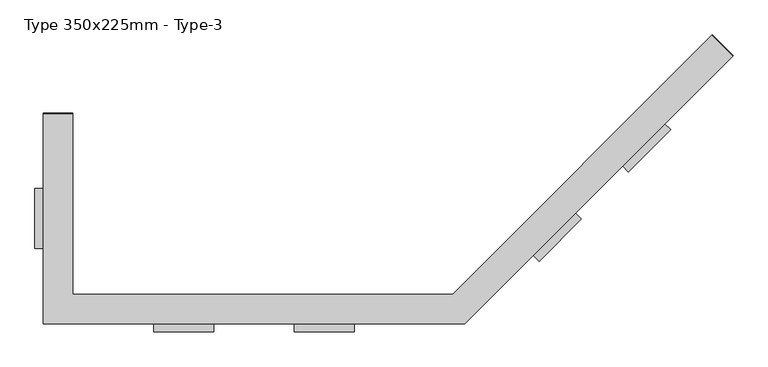
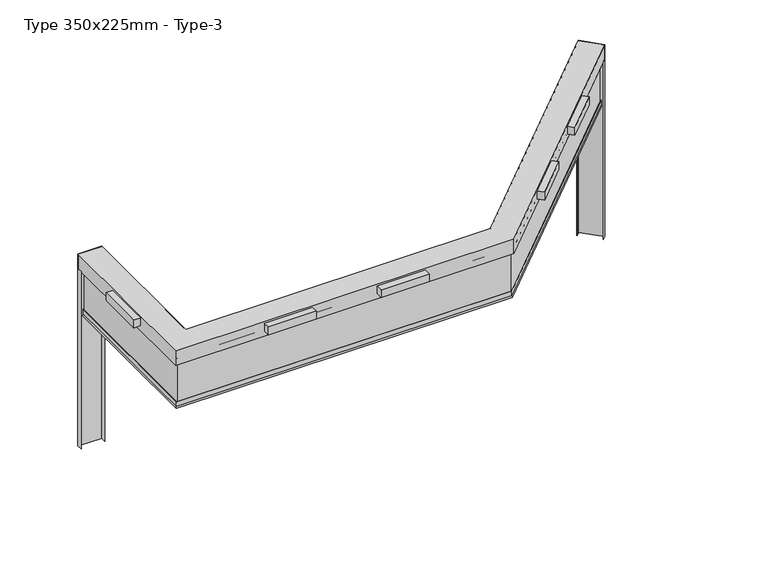
"""IFC4 building model written with IfcOpenShell, lengths in millimetres: alarm geometry, Type 350x225mm - Type-3."""

from ifc_helpers import new_model, si_unit, frame, origin, origin_with_axes, place, context, project, spatial, polyline, outline, extrude, faceted_brep, source, transform, mapped, element, save


def type_350x225mm_type_3_7770f3fd(model_context):
    return source(origin(), model_context, "Body", "SolidModel", [
        extrude(outline(polyline([(4872.3432509, 2372.3432509), (4943.053929, 2301.6325728), (4441.0081144, 1799.5867581), (4370.2974362, 1870.2974362), (4872.3432509, 2372.3432509)])), frame((0.0, 0.0, 80.0), z_axis=(0.0, 0.0, 1.0), x_axis=(1.0, 0.0, 0.0)), (0.0, 0.0, 1.0), 120.0),
        extrude(outline(polyline([(3811.6830791, 1311.6830791), (3882.3937572, 1240.972401), (3380.3479426, 738.9265863), (3309.6372645, 809.6372645), (3811.6830791, 1311.6830791)])), frame((0.0, 0.0, 80.0), z_axis=(0.0, 0.0, 1.0), x_axis=(1.0, 0.0, 0.0)), (0.0, 0.0, 1.0), 120.0),
        extrude(outline(polyline([(-1188.3333333, 0.0), (-478.3333333, 0.0), (-478.3333333, -100.0), (-1188.3333333, -100.0), (-1188.3333333, 0.0)])), frame((0.0, 0.0, 80.0), z_axis=(0.0, 0.0, 1.0), x_axis=(1.0, 0.0, 0.0)), (0.0, 0.0, 1.0), 120.0),
        extrude(outline(polyline([(478.3333333, 0.0), (1188.3333333, 0.0), (1188.3333333, -100.0), (478.3333333, -100.0), (478.3333333, 0.0)])), frame((0.0, 0.0, 80.0), z_axis=(0.0, 0.0, 1.0), x_axis=(1.0, 0.0, 0.0)), (0.0, 0.0, 1.0), 120.0),
        extrude(outline(polyline([(-2500.0, 1605.0), (-2500.0, 895.0), (-2600.0, 895.0), (-2600.0, 1605.0), (-2500.0, 1605.0)])), frame((0.0, 0.0, 80.0), z_axis=(0.0, 0.0, 1.0), x_axis=(1.0, 0.0, 0.0)), (0.0, 0.0, 1.0), 120.0),
        extrude(outline(polyline([(5434.4931419, 3429.4678888), (5681.9805153, 3181.9805153), (5679.859195, 3179.859195), (5432.3718216, 3427.3465684), (5434.4931419, 3429.4678888)])), origin_with_axes(), (0.0, 0.0, 1.0), 225.0),
        extrude(outline(polyline([(5434.4931419, 3429.4678888), (5681.9805153, 3181.9805153), (5625.4119728, 3125.4119728), (5623.2906525, 3127.5332932), (5677.7378747, 3181.9805153), (5434.4931419, 3425.2252481), (5380.0459198, 3370.7780259), (5377.9245994, 3372.8993463), (5434.4931419, 3429.4678888)])), frame((0.0, 0.0, -2775.0), z_axis=(0.0, 0.0, 1.0), x_axis=(1.0, 0.0, 0.0)), (0.0, 0.0, 1.0), 2775.0),
        extrude(outline(polyline([(-2150.0, 2500.0), (-2150.0, 2497.0), (-2500.0, 2497.0), (-2500.0, 2500.0), (-2150.0, 2500.0)])), origin_with_axes(), (0.0, 0.0, 1.0), 225.0),
        extrude(outline(polyline([(-2150.0, 2500.0), (-2150.0, 2420.0), (-2153.0, 2420.0), (-2153.0, 2497.0), (-2497.0, 2497.0), (-2497.0, 2420.0), (-2500.0, 2420.0), (-2500.0, 2500.0), (-2150.0, 2500.0)])), frame((0.0, 0.0, -2775.0), z_axis=(0.0, 0.0, 1.0), x_axis=(1.0, 0.0, 0.0)), (0.0, 0.0, 1.0), 2775.0),
        extrude(outline(polyline([(5575.9144982, 3174.9094475), (5590.0566338, 3160.7673119), (2479.2893219, 50.0), (-2450.0, 50.0), (-2450.0, 2420.0), (-2430.0, 2420.0), (-2430.0, 70.0), (2471.0050506, 70.0), (5575.9144982, 3174.9094475)])), frame((0.0, 0.0, -690.0), z_axis=(0.0, 0.0, 1.0), x_axis=(1.0, 0.0, 0.0)), (0.0, 0.0, 1.0), 690.0),
        faceted_brep([(5607.7343033, 3143.0896424, -700.0), (5395.602269, 3355.2216767, -700.0), (5399.1378029, 3351.6861428, -671.6435909), (5399.1378029, 3351.6861428, -600.0), (5401.2591232, 3349.5648225, -600.0), (5401.2591232, 3349.5648225, -697.0), (5602.0774491, 3148.7464966, -697.0), (5602.0774491, 3148.7464966, -600.0), (5604.1987694, 3146.6251763, -600.0), (5604.1987694, 3146.6251763, -671.6435909), (2489.6446609, 25.0, -700.0), (-2475.0, 25.0, -700.0), (-2475.0, 2420.0, -700.0), (-2175.0, 2420.0, -700.0), (-2175.0, 325.0, -700.0), (2365.3805922, 325.0, -700.0), (2367.45166, 320.0, -671.6435909), (2367.45166, 320.0, -600.0), (-2180.0, 320.0, -600.0), (-2180.0, 2420.0, -600.0), (-2183.0, 2420.0, -600.0), (-2183.0, 317.0, -600.0), (2368.6943007, 317.0, -600.0), (2368.6943007, 317.0, -697.0), (-2183.0, 317.0, -697.0), (-2183.0, 2420.0, -697.0), (-2467.0, 2420.0, -697.0), (-2467.0, 33.0, -697.0), (2486.3309524, 33.0, -697.0), (2486.3309524, 33.0, -600.0), (-2467.0, 33.0, -600.0), (-2467.0, 2420.0, -600.0), (-2470.0, 2420.0, -600.0), (-2470.0, 30.0, -600.0), (2487.5735931, 30.0, -600.0), (2487.5735931, 30.0, -671.6435909), (-2180.0, 320.0, -671.6435909), (-2470.0, 30.0, -671.6435909), (-2470.0, 2420.0, -671.6435909), (-2180.0, 2420.0, -671.6435909)], [[[0, 1, 2, 3, 4, 5, 6, 7, 8, 9]], [[1, 0, 10, 11, 12, 13, 14, 15]], [[2, 1, 15, 16]], [[3, 2, 16, 17]], [[4, 3, 17, 18, 19, 20, 21, 22]], [[5, 4, 22, 23]], [[6, 5, 23, 24, 25, 26, 27, 28]], [[7, 6, 28, 29]], [[8, 7, 29, 30, 31, 32, 33, 34]], [[9, 8, 34, 35]], [[0, 9, 35, 10]], [[16, 15, 14, 36]], [[17, 16, 36, 18]], [[23, 22, 21, 24]], [[29, 28, 27, 30]], [[35, 34, 33, 37]], [[10, 35, 37, 11]], [[12, 38, 32, 31, 26, 25, 20, 19, 39, 13]], [[36, 14, 13, 39]], [[18, 36, 39, 19]], [[24, 21, 20, 25]], [[30, 27, 26, 31]], [[37, 33, 32, 38]], [[11, 37, 38, 12]]]),
        faceted_brep([(-2500.0, 2500.0, 225.0), (-2150.0, 2500.0, 225.0), (-2150.0, 2500.0, 0.0), (-2172.0, 2500.0, 0.0), (-2172.0, 2500.0, 22.0), (-2169.0, 2500.0, 22.0), (-2169.0, 2500.0, 3.0), (-2153.0, 2500.0, 3.0), (-2153.0, 2500.0, 97.0), (-2180.0, 2500.0, 97.0), (-2180.0, 2500.0, 100.0), (-2153.0, 2500.0, 100.0), (-2153.0, 2500.0, 222.0), (-2497.0, 2500.0, 222.0), (-2497.0, 2500.0, 100.0), (-2470.0, 2500.0, 100.0), (-2470.0, 2500.0, 97.0), (-2497.0, 2500.0, 97.0), (-2497.0, 2500.0, 3.0), (-2481.0, 2500.0, 3.0), (-2481.0, 2500.0, 22.0), (-2478.0, 2500.0, 22.0), (-2478.0, 2500.0, 0.0), (-2500.0, 2500.0, 0.0), (-2500.0, 0.0, 225.0), (2500.0, 0.0, 225.0), (5681.9805153, 3181.9805153, 225.0), (5434.4931419, 3429.4678888, 225.0), (2355.0252532, 350.0, 225.0), (-2150.0, 350.0, 225.0), (-2150.0, 350.0, 0.0), (2355.0252532, 350.0, 0.0), (5434.4931419, 3429.4678888, 0.0), (5450.0494911, 3413.9115396, 0.0), (2364.1379515, 328.0, 0.0), (-2172.0, 328.0, 0.0), (-2172.0, 328.0, 22.0), (2364.1379515, 328.0, 22.0), (5450.0494911, 3413.9115396, 22.0), (5447.9281708, 3416.0328599, 22.0), (2362.8953109, 331.0, 22.0), (-2169.0, 331.0, 22.0), (-2169.0, 331.0, 3.0), (2362.8953109, 331.0, 3.0), (5447.9281708, 3416.0328599, 3.0), (5436.6144623, 3427.3465684, 3.0), (2356.2678939, 347.0, 3.0), (-2153.0, 347.0, 3.0), (-2153.0, 347.0, 97.0), (2356.2678939, 347.0, 97.0), (5436.6144623, 3427.3465684, 97.0), (5455.7063454, 3408.2546853, 97.0), (2367.45166, 320.0, 97.0), (-2180.0, 320.0, 97.0), (-2180.0, 320.0, 100.0), (2367.45166, 320.0, 100.0), (5455.7063454, 3408.2546853, 100.0), (5436.6144623, 3427.3465684, 100.0), (2356.2678939, 347.0, 100.0), (-2153.0, 347.0, 100.0), (-2153.0, 347.0, 222.0), (2356.2678939, 347.0, 222.0), (5436.6144623, 3427.3465684, 222.0), (5679.859195, 3184.1018357, 222.0), (2498.7573593, 3.0, 222.0), (-2497.0, 3.0, 222.0), (-2497.0, 3.0, 100.0), (2498.7573593, 3.0, 100.0), (5679.859195, 3184.1018357, 100.0), (5660.7673119, 3203.1937188, 100.0), (2487.5735931, 30.0, 100.0), (-2470.0, 30.0, 100.0), (-2470.0, 30.0, 97.0), (2487.5735931, 30.0, 97.0), (5660.7673119, 3203.1937188, 97.0), (5679.859195, 3184.1018357, 97.0), (2498.7573593, 3.0, 97.0), (-2497.0, 3.0, 97.0), (-2497.0, 3.0, 3.0), (2498.7573593, 3.0, 3.0), (5679.859195, 3184.1018357, 3.0), (5668.5454865, 3195.4155442, 3.0), (2492.1299423, 19.0, 3.0), (-2481.0, 19.0, 3.0), (-2481.0, 19.0, 22.0), (2492.1299423, 19.0, 22.0), (5668.5454865, 3195.4155442, 22.0), (5666.4241662, 3197.5368645, 22.0), (2490.8873016, 22.0, 22.0), (-2478.0, 22.0, 22.0), (-2478.0, 22.0, 0.0), (2490.8873016, 22.0, 0.0), (5666.4241662, 3197.5368645, 0.0), (5681.9805153, 3181.9805153, 0.0), (2500.0, 0.0, 0.0), (-2500.0, 0.0, 0.0)], [[[0, 1, 2, 3, 4, 5, 6, 7, 8, 9, 10, 11, 12, 13, 14, 15, 16, 17, 18, 19, 20, 21, 22, 23]], [[1, 0, 24, 25, 26, 27, 28, 29]], [[2, 1, 29, 30]], [[3, 2, 30, 31, 32, 33, 34, 35]], [[4, 3, 35, 36]], [[5, 4, 36, 37, 38, 39, 40, 41]], [[6, 5, 41, 42]], [[7, 6, 42, 43, 44, 45, 46, 47]], [[8, 7, 47, 48]], [[9, 8, 48, 49, 50, 51, 52, 53]], [[10, 9, 53, 54]], [[11, 10, 54, 55, 56, 57, 58, 59]], [[12, 11, 59, 60]], [[13, 12, 60, 61, 62, 63, 64, 65]], [[14, 13, 65, 66]], [[15, 14, 66, 67, 68, 69, 70, 71]], [[16, 15, 71, 72]], [[17, 16, 72, 73, 74, 75, 76, 77]], [[18, 17, 77, 78]], [[19, 18, 78, 79, 80, 81, 82, 83]], [[20, 19, 83, 84]], [[21, 20, 84, 85, 86, 87, 88, 89]], [[22, 21, 89, 90]], [[23, 22, 90, 91, 92, 93, 94, 95]], [[0, 23, 95, 24]], [[30, 29, 28, 31]], [[36, 35, 34, 37]], [[42, 41, 40, 43]], [[48, 47, 46, 49]], [[54, 53, 52, 55]], [[60, 59, 58, 61]], [[66, 65, 64, 67]], [[72, 71, 70, 73]], [[78, 77, 76, 79]], [[84, 83, 82, 85]], [[90, 89, 88, 91]], [[24, 95, 94, 25]], [[26, 93, 92, 87, 86, 81, 80, 75, 74, 69, 68, 63, 62, 57, 56, 51, 50, 45, 44, 39, 38, 33, 32, 27]], [[31, 28, 27, 32]], [[37, 34, 33, 38]], [[43, 40, 39, 44]], [[49, 46, 45, 50]], [[55, 52, 51, 56]], [[61, 58, 57, 62]], [[67, 64, 63, 68]], [[73, 70, 69, 74]], [[79, 76, 75, 80]], [[85, 82, 81, 86]], [[91, 88, 87, 92]], [[25, 94, 93, 26]]]),
    ])


if __name__ == "__main__":
    model = new_model("IFC4")
    model_context = context("Model", 3, world=origin())
    ifc_project = project(units=[si_unit("LENGTHUNIT", "METRE", prefix="MILLI")], contexts=[model_context])
    site = spatial("IfcSite", under=ifc_project)
    building = spatial("IfcBuilding", under=site)
    placement = place(None, origin())
    type_350x225mm_type_3_shape = type_350x225mm_type_3_7770f3fd(model_context)
    element("IfcAlarm", 1, ObjectType="Type 350x225mm - Type-3", at=placement, inside=building, context=model_context, shape_type="MappedRepresentation", body=[
        mapped(type_350x225mm_type_3_shape, transform((0.0, 0.0, 0.0), x_axis=(1.0, 0.0, 0.0), y_axis=(0.0, 1.0, 0.0), z_axis=(0.0, 0.0, 1.0))),
    ])
    save(model, "model.ifc")
